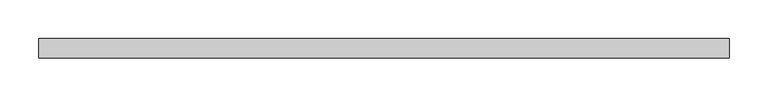
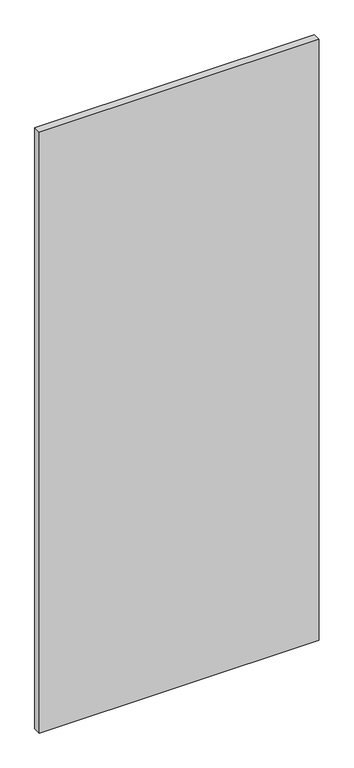
"""IFC4 building model written with IfcOpenShell, lengths in millimetres: plate geometry."""

import ifcopenshell
import ifcopenshell.guid

model = None  # the IFC model being written
_history = None  # IfcOwnerHistory: only IFC2X3 demands one
_inside = {}  # id of a spatial element -> (the spatial element, [elements in it])
_under = {}  # id of a project, library or spatial element -> (it, [spatial elements below it])
_declared = {}  # id of a project -> (the project, [libraries it declares])
_typed = {}  # id of a type object -> (the type object, [elements of that type])
_made_of = {}  # id of a material, layer set ... -> (it, [elements and type objects made of it])


def new_model(schema):
    """Start an empty IFC model of exactly this schema.

    Asked for "IFC4X3", IfcOpenShell would pick the latest addendum, in which some entities
    have other attributes; the version numbers below select the first issue.
    IFC2X3 requires an IfcOwnerHistory on every rooted entity: one is made here for all.
    """
    global model, _history
    if schema == "IFC4X3":
        model = ifcopenshell.file(schema_version=(4, 3, 0, 0))
    else:
        model = ifcopenshell.file(schema=schema)
    _inside.clear()
    _under.clear()
    _declared.clear()
    _typed.clear()
    _made_of.clear()
    _history = None
    if model.schema == "IFC2X3":
        org = make("IfcOrganization", Name="unknown")
        user = make(
            "IfcPersonAndOrganization",
            ThePerson=make("IfcPerson", FamilyName="unknown"),
            TheOrganization=org,
        )
        app = make(
            "IfcApplication",
            ApplicationDeveloper=org,
            Version="unknown",
            ApplicationFullName="unknown",
            ApplicationIdentifier="unknown",
        )
        _history = make(
            "IfcOwnerHistory",
            OwningUser=user,
            OwningApplication=app,
            ChangeAction="ADDED",
            CreationDate=0,
        )
    return model


def make(cls, **values):
    """One entity of the class cls with the attributes given. An attribute that is None is left unset."""
    return model.create_entity(
        cls, **{name: value for name, value in values.items() if value is not None}
    )


def rooted(cls, **values):
    """An entity with a GlobalId (a new one), such as an element, a storey or a relation."""
    return make(cls, GlobalId=ifcopenshell.guid.new(), OwnerHistory=_history, **values)


def si_unit(unit_type, name, prefix=None):
    """IfcSIUnit, for example si_unit("LENGTHUNIT", "METRE", prefix="MILLI")."""
    return make("IfcSIUnit", UnitType=unit_type, Prefix=prefix, Name=name)


def assignment(units):
    """IfcUnitAssignment: the units of a project."""
    return None if units is None else make("IfcUnitAssignment", Units=units)


def point(xyz):
    """IfcCartesianPoint."""
    return None if xyz is None else make("IfcCartesianPoint", Coordinates=xyz)


def direction(xyz):
    """IfcDirection."""
    return None if xyz is None else make("IfcDirection", DirectionRatios=xyz)


def frame(location, z_axis=None, x_axis=None):
    """IfcAxis2Placement3D, a coordinate frame: its origin and axes. An axis left out is left unset."""
    return make(
        "IfcAxis2Placement3D",
        Location=point(location),
        Axis=direction(z_axis),
        RefDirection=direction(x_axis),
    )


def origin():
    """The frame at (0, 0, 0) with its axes left unset."""
    return frame((0.0, 0.0, 0.0))


def origin_with_axes():
    """The frame at (0, 0, 0) with the z axis (0, 0, 1) and the x axis (1, 0, 0) written out."""
    return frame((0.0, 0.0, 0.0), z_axis=(0.0, 0.0, 1.0), x_axis=(1.0, 0.0, 0.0))


def place(relative_to, where):
    """IfcLocalPlacement: puts the frame where relative to a parent placement (None: the world)."""
    return make(
        "IfcLocalPlacement", PlacementRelTo=relative_to, RelativePlacement=where
    )


def context(
    kind, dimensions, precision=None, world=None, true_north=None, identifier=None
):
    """IfcGeometricRepresentationContext, for example the 3D "Model" context."""
    return make(
        "IfcGeometricRepresentationContext",
        ContextIdentifier=identifier,
        ContextType=kind,
        CoordinateSpaceDimension=dimensions,
        Precision=precision,
        WorldCoordinateSystem=world,
        TrueNorth=true_north,
    )


def project(units=None, contexts=None):
    """IfcProject with its units and contexts."""
    return rooted(
        "IfcProject",
        Name="project",
        RepresentationContexts=contexts,
        UnitsInContext=assignment(units),
    )


def spatial(cls, under=None, at=None, **own):
    """A site, building, storey or space (cls), placed at a placement, below another one or the project."""
    s = rooted(cls, ObjectPlacement=at, **own)
    if under is not None:
        _under.setdefault(under.id(), (under, []))[1].append(s)
    return s


def polyline(points):
    """IfcPolyline through the points."""
    return make("IfcPolyline", Points=[point(p) for p in points])


def outline(outer, holes=None, kind="AREA"):
    """IfcArbitraryClosedProfileDef: a profile drawn as a closed curve; with holes, ...WithVoids."""
    if holes is None:
        return make("IfcArbitraryClosedProfileDef", ProfileType=kind, OuterCurve=outer)
    return make(
        "IfcArbitraryProfileDefWithVoids",
        ProfileType=kind,
        OuterCurve=outer,
        InnerCurves=holes,
    )


def extrude(swept, where, along, depth):
    """IfcExtrudedAreaSolid: the profile swept, set in the frame where, extruded along a direction by depth."""
    return make(
        "IfcExtrudedAreaSolid",
        SweptArea=swept,
        Position=where,
        ExtrudedDirection=direction(along),
        Depth=depth,
    )


def shape(context_of_items, identifier, shape_type, items):
    """IfcShapeRepresentation: the items that make up one representation, for example the "Body"."""
    return make(
        "IfcShapeRepresentation",
        ContextOfItems=context_of_items,
        RepresentationIdentifier=identifier,
        RepresentationType=shape_type,
        Items=items,
    )


def source(mapping_origin, context_of_items, identifier, shape_type, items):
    """IfcRepresentationMap: a shape defined once, which mapped items show again and again."""
    return make(
        "IfcRepresentationMap",
        MappingOrigin=mapping_origin,
        MappedRepresentation=shape(context_of_items, identifier, shape_type, items),
    )


def transform(
    local_origin,
    x_axis=None,
    y_axis=None,
    z_axis=None,
    scale=None,
    scale2=None,
    scale3=None,
    uniform=True,
):
    """IfcCartesianTransformationOperator3D, or its non-uniform kind. x_axis, y_axis, z_axis: its Axis1, 2, 3."""
    if uniform:
        return make(
            "IfcCartesianTransformationOperator3D",
            Axis1=direction(x_axis),
            Axis2=direction(y_axis),
            LocalOrigin=point(local_origin),
            Scale=scale,
            Axis3=direction(z_axis),
        )
    return make(
        "IfcCartesianTransformationOperator3DnonUniform",
        Axis1=direction(x_axis),
        Axis2=direction(y_axis),
        LocalOrigin=point(local_origin),
        Scale=scale,
        Axis3=direction(z_axis),
        Scale2=scale2,
        Scale3=scale3,
    )


def mapped(mapping_source, mapping_target):
    """IfcMappedItem: shows the shape of a source again, moved by a transform."""
    return make(
        "IfcMappedItem", MappingSource=mapping_source, MappingTarget=mapping_target
    )


def made_of(thing, what):
    """Note that an element or type object is made of a material, layer set ...; save() writes the relation."""
    if what is not None:
        _made_of.setdefault(what.id(), (what, []))[1].append(thing)
    return thing


def element(
    cls,
    number,
    at=None,
    inside=None,
    cuts=None,
    type_object=None,
    material=None,
    context=None,
    identifier="Body",
    shape_type=None,
    held_by="IfcProductDefinitionShape",
    body=None,
    shapes=None,
    **own,
):
    """One element of the class cls, such as IfcWall. Its Tag is "e" and its number.

    at: its placement. inside: the storey or other place that contains it. cuts: it is an
    opening in that element (IfcRelVoidsElement). A single representation is given by context,
    identifier, shape_type and body (its items); several are given by shapes. held_by: the class
    of the entity that holds the representations. save() writes the other relations.
    """
    e = rooted(cls, Tag="e%d" % number, ObjectPlacement=at, **own)
    if body is not None:
        shapes = [shape(context, identifier, shape_type, body)]
    if shapes is not None:
        e.Representation = make(held_by, Representations=shapes)
    if inside is not None:
        _inside.setdefault(inside.id(), (inside, []))[1].append(e)
    if cuts is not None:
        rooted(
            "IfcRelVoidsElement", RelatingBuildingElement=cuts, RelatedOpeningElement=e
        )
    if type_object is not None:
        _typed.setdefault(type_object.id(), (type_object, []))[1].append(e)
    return made_of(e, material)


def aggregate(whole, parts):
    """IfcRelAggregates: a whole, such as a stair, and the parts it consists of."""
    return rooted("IfcRelAggregates", RelatingObject=whole, RelatedObjects=parts)


def save(model, path):
    """Write the relations noted so far, then the file.

    IfcRelAggregates (storeys below a building ...), IfcRelContainedInSpatialStructure (elements
    in a storey), IfcRelDefinesByType, IfcRelAssociatesMaterial and IfcRelDeclares: one each for
    every whole, place, type object, material and project.
    """
    for whole, parts in _under.values():
        aggregate(whole, parts)
    for where, things in _inside.values():
        rooted(
            "IfcRelContainedInSpatialStructure",
            RelatedElements=things,
            RelatingStructure=where,
        )
    for kind, things in _typed.values():
        rooted("IfcRelDefinesByType", RelatedObjects=things, RelatingType=kind)
    for what, things in _made_of.values():
        rooted("IfcRelAssociatesMaterial", RelatedObjects=things, RelatingMaterial=what)
    for by, libraries in _declared.values():
        rooted("IfcRelDeclares", RelatingContext=by, RelatedDefinitions=libraries)
    model.write(path)


def plate_01d22adb(model_context):
    return source(origin(), model_context, "Body", "SweptSolid", [
        extrude(outline(polyline([(446.20067, 24.5), (-446.20067, 24.5), (-446.20067, 49.5), (446.20067, 49.5), (446.20067, 24.5)])), origin_with_axes(), (0.0, 0.0, 1.0), 2025.0),
    ])


if __name__ == "__main__":
    model = new_model("IFC4")
    model_context = context("Model", 3, world=origin())
    ifc_project = project(units=[si_unit("LENGTHUNIT", "METRE", prefix="MILLI")], contexts=[model_context])
    site = spatial("IfcSite", under=ifc_project)
    building = spatial("IfcBuilding", under=site)
    placement = place(None, origin())
    plate_shape = plate_01d22adb(model_context)
    element("IfcPlate", 1, at=placement, inside=building, context=model_context, shape_type="MappedRepresentation", body=[
        mapped(plate_shape, transform((0.0, 0.0, 0.0), x_axis=(1.0, 0.0, 0.0), y_axis=(0.0, 1.0, 0.0), z_axis=(0.0, 0.0, 1.0))),
    ])
    save(model, "model.ifc")
